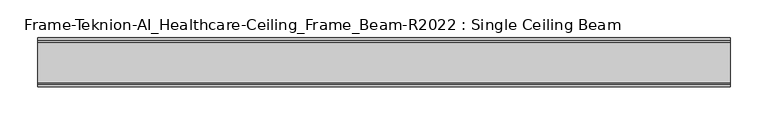
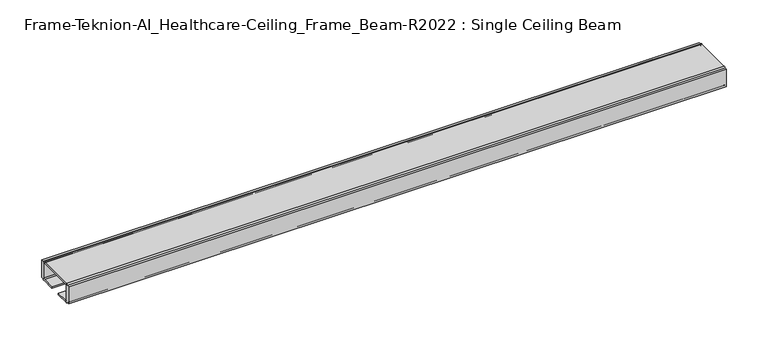
"""IFC4 building model written with IfcOpenShell, lengths in millimetres: furniture geometry, Frame-Teknion-AI_Healthcare-Ceiling_Frame_Beam-R2022 : Single Ceiling Beam."""

from ifc_helpers import new_model, si_unit, point, frame, frame_2d, origin, place, context, project, spatial, polyline, circle_curve, trimmed, segment, composite_curve, outline, extrude, source, transform, mapped, element, save


def frame_teknion_ai_healthcare_ceiling_frame_beam_r2022_single_cd011384(model_context):
    return source(origin(), model_context, "Body", "SweptSolid", [
        extrude(outline(composite_curve([segment(polyline([(-32.174996, 1573.5046), (-32.174996, 1598.9045998), (-28.999999, 1598.9045998), (-28.999999, 1597.787)]), True, "CONTINUOUS"), segment(trimmed(circle_curve(frame_2d((-26.5869991, 1597.787)), 2.413), [point((-28.999999, 1597.787))], [point((-26.5869991, 1600.2))], False, "CARTESIAN"), True, "CONTINUOUS"), segment(polyline([(-26.5869991, 1600.2), (26.5869991, 1600.2)]), True, "CONTINUOUS"), segment(trimmed(circle_curve(frame_2d((26.5869991, 1597.787)), 2.413), [point((26.5869991, 1600.2))], [point((28.999999, 1597.787))], False, "CARTESIAN"), True, "CONTINUOUS"), segment(polyline([(28.999999, 1597.787), (28.999999, 1598.9045998), (32.174996, 1598.9045998), (32.174996, 1573.5046), (28.999999, 1573.5046), (28.999999, 1574.6129989)]), True, "CONTINUOUS"), segment(trimmed(circle_curve(frame_2d((26.5869991, 1574.6129989)), 2.413), [point((28.999999, 1574.6129989))], [point((26.5869991, 1572.199999))], False, "CARTESIAN"), True, "CONTINUOUS"), segment(polyline([(26.5869991, 1572.199999), (7.9374947, 1572.199999), (7.9374947, 1574.4859991), (25.4440002, 1574.4859991)]), True, "CONTINUOUS"), segment(trimmed(circle_curve(frame_2d((25.4440002, 1576.0099999)), 1.5240008), [point((25.4440002, 1574.4859991))], [point((26.968001, 1576.0099999))], True, "CARTESIAN"), True, "CONTINUOUS"), segment(polyline([(26.968001, 1576.0099999), (26.968001, 1597.1520009)]), True, "CONTINUOUS"), segment(trimmed(circle_curve(frame_2d((25.9520019, 1597.1520009)), 1.015999), [point((26.968001, 1597.1520009))], [point((25.9520019, 1598.168))], True, "CARTESIAN"), True, "CONTINUOUS"), segment(polyline([(25.9520019, 1598.168), (-25.9520019, 1598.168)]), True, "CONTINUOUS"), segment(trimmed(circle_curve(frame_2d((-25.9520019, 1597.1520009)), 1.015999), [point((-25.9520019, 1598.168))], [point((-26.968001, 1597.1520009))], True, "CARTESIAN"), True, "CONTINUOUS"), segment(polyline([(-26.968001, 1597.1520009), (-26.968001, 1576.0099999)]), True, "CONTINUOUS"), segment(trimmed(circle_curve(frame_2d((-25.4440002, 1576.0099999)), 1.5240008), [point((-26.968001, 1576.0099999))], [point((-25.4440002, 1574.4859991))], True, "CARTESIAN"), True, "CONTINUOUS"), segment(polyline([(-25.4440002, 1574.4859991), (-7.9374947, 1574.4859991), (-7.9374947, 1572.199999), (-26.5869991, 1572.199999)]), True, "CONTINUOUS"), segment(trimmed(circle_curve(frame_2d((-26.5869991, 1574.6129989)), 2.413), [point((-26.5869991, 1572.199999))], [point((-28.999999, 1574.6129989))], False, "CARTESIAN"), True, "CONTINUOUS"), segment(polyline([(-28.999999, 1574.6129989), (-28.999999, 1573.5046), (-32.174996, 1573.5046)]), True, "CONTINUOUS")], self_intersect=False)), frame((-455.3204, 0.0, 0.0), z_axis=(1.0, 0.0, 0.0), x_axis=(0.0, 1.0, 0.0)), (0.0, 0.0, 1.0), 910.6408),
    ])


if __name__ == "__main__":
    model = new_model("IFC4")
    model_context = context("Model", 3, world=origin())
    ifc_project = project(units=[si_unit("LENGTHUNIT", "METRE", prefix="MILLI")], contexts=[model_context])
    site = spatial("IfcSite", under=ifc_project)
    building = spatial("IfcBuilding", under=site)
    placement = place(None, origin())
    frame_teknion_ai_healthcare_ceiling_frame_beam_r2022_single_shape = frame_teknion_ai_healthcare_ceiling_frame_beam_r2022_single_cd011384(model_context)
    element("IfcFurniture", 1, ObjectType="Frame-Teknion-AI_Healthcare-Ceiling_Frame_Beam-R2022 : Single Ceiling Beam", at=placement, inside=building, context=model_context, shape_type="MappedRepresentation", body=[
        mapped(frame_teknion_ai_healthcare_ceiling_frame_beam_r2022_single_shape, transform((0.0, 0.0, 0.0), x_axis=(1.0, 0.0, 0.0), y_axis=(0.0, 1.0, 0.0), z_axis=(0.0, 0.0, 1.0))),
    ])
    save(model, "model.ifc")
